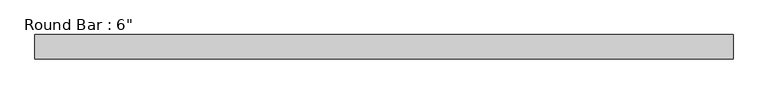
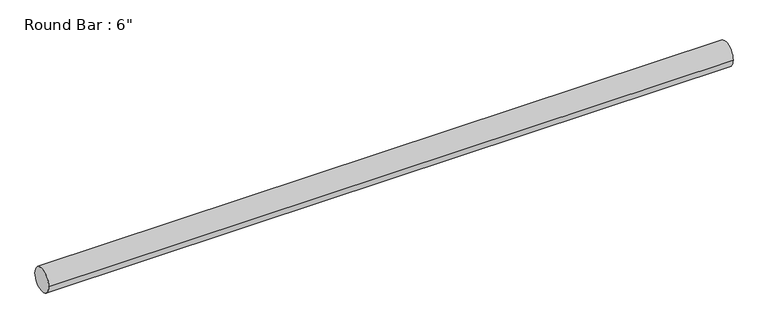
"""IFC4 building model written with IfcOpenShell, lengths in millimetres: beam geometry."""

from ifc_helpers import new_model, si_unit, point, frame, origin, origin_2d, place, context, project, spatial, circle_curve, trimmed, segment, composite_curve, outline, extrude, source, transform, mapped, element, save


def beam_39105e62(model_context):
    return source(origin(), model_context, "Body", "SweptSolid", [
        extrude(outline(composite_curve([segment(trimmed(circle_curve(origin_2d(), 76.2), [point((-76.2, 0.0))], [point((76.2, 0.0))], False, "CARTESIAN"), True, "CONTINUOUS"), segment(trimmed(circle_curve(origin_2d(), 76.2), [point((76.2, 0.0))], [point((-76.2, 0.0))], False, "CARTESIAN"), True, "CONTINUOUS")], self_intersect=False)), frame((-2042.409846, 0.0, 0.0), z_axis=(1.0, 0.0, 0.0), x_axis=(0.0, 1.0, 0.0)), (0.0, 0.0, 1.0), 4338.819692),
    ])


if __name__ == "__main__":
    model = new_model("IFC4")
    model_context = context("Model", 3, world=origin())
    ifc_project = project(units=[si_unit("LENGTHUNIT", "METRE", prefix="MILLI")], contexts=[model_context])
    site = spatial("IfcSite", under=ifc_project)
    building = spatial("IfcBuilding", under=site)
    placement = place(None, origin())
    beam_shape = beam_39105e62(model_context)
    element("IfcBeam", 1, ObjectType="Round Bar : 6\"", at=placement, inside=building, context=model_context, shape_type="MappedRepresentation", body=[
        mapped(beam_shape, transform((0.0, 0.0, 0.0), x_axis=(1.0, 0.0, 0.0), y_axis=(0.0, 1.0, 0.0), z_axis=(0.0, 0.0, 1.0))),
    ])
    save(model, "model.ifc")
